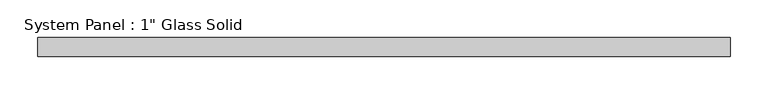
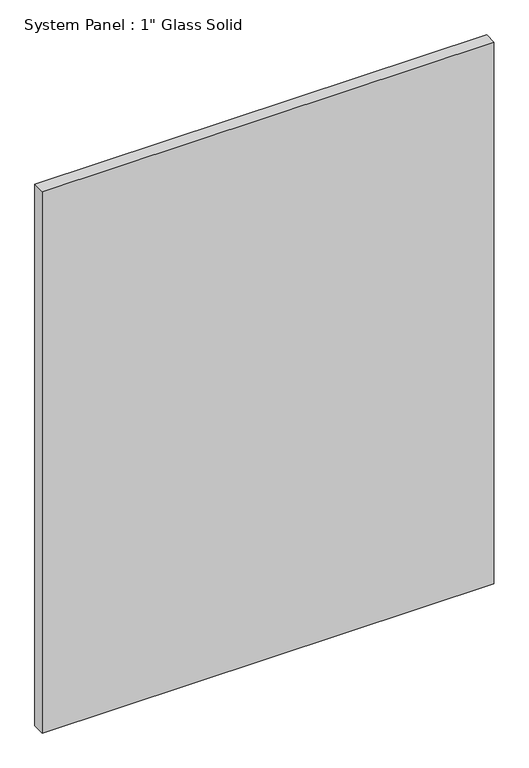
"""IFC4 building model written with IfcOpenShell, lengths in millimetres: plate geometry."""

import ifcopenshell
import ifcopenshell.guid

model = None  # the IFC model being written
_history = None  # IfcOwnerHistory: only IFC2X3 demands one
_inside = {}  # id of a spatial element -> (the spatial element, [elements in it])
_under = {}  # id of a project, library or spatial element -> (it, [spatial elements below it])
_declared = {}  # id of a project -> (the project, [libraries it declares])
_typed = {}  # id of a type object -> (the type object, [elements of that type])
_made_of = {}  # id of a material, layer set ... -> (it, [elements and type objects made of it])


def new_model(schema):
    """Start an empty IFC model of exactly this schema.

    Asked for "IFC4X3", IfcOpenShell would pick the latest addendum, in which some entities
    have other attributes; the version numbers below select the first issue.
    IFC2X3 requires an IfcOwnerHistory on every rooted entity: one is made here for all.
    """
    global model, _history
    if schema == "IFC4X3":
        model = ifcopenshell.file(schema_version=(4, 3, 0, 0))
    else:
        model = ifcopenshell.file(schema=schema)
    _inside.clear()
    _under.clear()
    _declared.clear()
    _typed.clear()
    _made_of.clear()
    _history = None
    if model.schema == "IFC2X3":
        org = make("IfcOrganization", Name="unknown")
        user = make(
            "IfcPersonAndOrganization",
            ThePerson=make("IfcPerson", FamilyName="unknown"),
            TheOrganization=org,
        )
        app = make(
            "IfcApplication",
            ApplicationDeveloper=org,
            Version="unknown",
            ApplicationFullName="unknown",
            ApplicationIdentifier="unknown",
        )
        _history = make(
            "IfcOwnerHistory",
            OwningUser=user,
            OwningApplication=app,
            ChangeAction="ADDED",
            CreationDate=0,
        )
    return model


def make(cls, **values):
    """One entity of the class cls with the attributes given. An attribute that is None is left unset."""
    return model.create_entity(
        cls, **{name: value for name, value in values.items() if value is not None}
    )


def rooted(cls, **values):
    """An entity with a GlobalId (a new one), such as an element, a storey or a relation."""
    return make(cls, GlobalId=ifcopenshell.guid.new(), OwnerHistory=_history, **values)


def si_unit(unit_type, name, prefix=None):
    """IfcSIUnit, for example si_unit("LENGTHUNIT", "METRE", prefix="MILLI")."""
    return make("IfcSIUnit", UnitType=unit_type, Prefix=prefix, Name=name)


def assignment(units):
    """IfcUnitAssignment: the units of a project."""
    return None if units is None else make("IfcUnitAssignment", Units=units)


def point(xyz):
    """IfcCartesianPoint."""
    return None if xyz is None else make("IfcCartesianPoint", Coordinates=xyz)


def direction(xyz):
    """IfcDirection."""
    return None if xyz is None else make("IfcDirection", DirectionRatios=xyz)


def frame(location, z_axis=None, x_axis=None):
    """IfcAxis2Placement3D, a coordinate frame: its origin and axes. An axis left out is left unset."""
    return make(
        "IfcAxis2Placement3D",
        Location=point(location),
        Axis=direction(z_axis),
        RefDirection=direction(x_axis),
    )


def origin():
    """The frame at (0, 0, 0) with its axes left unset."""
    return frame((0.0, 0.0, 0.0))


def origin_with_axes():
    """The frame at (0, 0, 0) with the z axis (0, 0, 1) and the x axis (1, 0, 0) written out."""
    return frame((0.0, 0.0, 0.0), z_axis=(0.0, 0.0, 1.0), x_axis=(1.0, 0.0, 0.0))


def place(relative_to, where):
    """IfcLocalPlacement: puts the frame where relative to a parent placement (None: the world)."""
    return make(
        "IfcLocalPlacement", PlacementRelTo=relative_to, RelativePlacement=where
    )


def context(
    kind, dimensions, precision=None, world=None, true_north=None, identifier=None
):
    """IfcGeometricRepresentationContext, for example the 3D "Model" context."""
    return make(
        "IfcGeometricRepresentationContext",
        ContextIdentifier=identifier,
        ContextType=kind,
        CoordinateSpaceDimension=dimensions,
        Precision=precision,
        WorldCoordinateSystem=world,
        TrueNorth=true_north,
    )


def project(units=None, contexts=None):
    """IfcProject with its units and contexts."""
    return rooted(
        "IfcProject",
        Name="project",
        RepresentationContexts=contexts,
        UnitsInContext=assignment(units),
    )


def spatial(cls, under=None, at=None, **own):
    """A site, building, storey or space (cls), placed at a placement, below another one or the project."""
    s = rooted(cls, ObjectPlacement=at, **own)
    if under is not None:
        _under.setdefault(under.id(), (under, []))[1].append(s)
    return s


def polyline(points):
    """IfcPolyline through the points."""
    return make("IfcPolyline", Points=[point(p) for p in points])


def outline(outer, holes=None, kind="AREA"):
    """IfcArbitraryClosedProfileDef: a profile drawn as a closed curve; with holes, ...WithVoids."""
    if holes is None:
        return make("IfcArbitraryClosedProfileDef", ProfileType=kind, OuterCurve=outer)
    return make(
        "IfcArbitraryProfileDefWithVoids",
        ProfileType=kind,
        OuterCurve=outer,
        InnerCurves=holes,
    )


def extrude(swept, where, along, depth):
    """IfcExtrudedAreaSolid: the profile swept, set in the frame where, extruded along a direction by depth."""
    return make(
        "IfcExtrudedAreaSolid",
        SweptArea=swept,
        Position=where,
        ExtrudedDirection=direction(along),
        Depth=depth,
    )


def shape(context_of_items, identifier, shape_type, items):
    """IfcShapeRepresentation: the items that make up one representation, for example the "Body"."""
    return make(
        "IfcShapeRepresentation",
        ContextOfItems=context_of_items,
        RepresentationIdentifier=identifier,
        RepresentationType=shape_type,
        Items=items,
    )


def source(mapping_origin, context_of_items, identifier, shape_type, items):
    """IfcRepresentationMap: a shape defined once, which mapped items show again and again."""
    return make(
        "IfcRepresentationMap",
        MappingOrigin=mapping_origin,
        MappedRepresentation=shape(context_of_items, identifier, shape_type, items),
    )


def transform(
    local_origin,
    x_axis=None,
    y_axis=None,
    z_axis=None,
    scale=None,
    scale2=None,
    scale3=None,
    uniform=True,
):
    """IfcCartesianTransformationOperator3D, or its non-uniform kind. x_axis, y_axis, z_axis: its Axis1, 2, 3."""
    if uniform:
        return make(
            "IfcCartesianTransformationOperator3D",
            Axis1=direction(x_axis),
            Axis2=direction(y_axis),
            LocalOrigin=point(local_origin),
            Scale=scale,
            Axis3=direction(z_axis),
        )
    return make(
        "IfcCartesianTransformationOperator3DnonUniform",
        Axis1=direction(x_axis),
        Axis2=direction(y_axis),
        LocalOrigin=point(local_origin),
        Scale=scale,
        Axis3=direction(z_axis),
        Scale2=scale2,
        Scale3=scale3,
    )


def mapped(mapping_source, mapping_target):
    """IfcMappedItem: shows the shape of a source again, moved by a transform."""
    return make(
        "IfcMappedItem", MappingSource=mapping_source, MappingTarget=mapping_target
    )


def made_of(thing, what):
    """Note that an element or type object is made of a material, layer set ...; save() writes the relation."""
    if what is not None:
        _made_of.setdefault(what.id(), (what, []))[1].append(thing)
    return thing


def element(
    cls,
    number,
    at=None,
    inside=None,
    cuts=None,
    type_object=None,
    material=None,
    context=None,
    identifier="Body",
    shape_type=None,
    held_by="IfcProductDefinitionShape",
    body=None,
    shapes=None,
    **own,
):
    """One element of the class cls, such as IfcWall. Its Tag is "e" and its number.

    at: its placement. inside: the storey or other place that contains it. cuts: it is an
    opening in that element (IfcRelVoidsElement). A single representation is given by context,
    identifier, shape_type and body (its items); several are given by shapes. held_by: the class
    of the entity that holds the representations. save() writes the other relations.
    """
    e = rooted(cls, Tag="e%d" % number, ObjectPlacement=at, **own)
    if body is not None:
        shapes = [shape(context, identifier, shape_type, body)]
    if shapes is not None:
        e.Representation = make(held_by, Representations=shapes)
    if inside is not None:
        _inside.setdefault(inside.id(), (inside, []))[1].append(e)
    if cuts is not None:
        rooted(
            "IfcRelVoidsElement", RelatingBuildingElement=cuts, RelatedOpeningElement=e
        )
    if type_object is not None:
        _typed.setdefault(type_object.id(), (type_object, []))[1].append(e)
    return made_of(e, material)


def aggregate(whole, parts):
    """IfcRelAggregates: a whole, such as a stair, and the parts it consists of."""
    return rooted("IfcRelAggregates", RelatingObject=whole, RelatedObjects=parts)


def save(model, path):
    """Write the relations noted so far, then the file.

    IfcRelAggregates (storeys below a building ...), IfcRelContainedInSpatialStructure (elements
    in a storey), IfcRelDefinesByType, IfcRelAssociatesMaterial and IfcRelDeclares: one each for
    every whole, place, type object, material and project.
    """
    for whole, parts in _under.values():
        aggregate(whole, parts)
    for where, things in _inside.values():
        rooted(
            "IfcRelContainedInSpatialStructure",
            RelatedElements=things,
            RelatingStructure=where,
        )
    for kind, things in _typed.values():
        rooted("IfcRelDefinesByType", RelatedObjects=things, RelatingType=kind)
    for what, things in _made_of.values():
        rooted("IfcRelAssociatesMaterial", RelatedObjects=things, RelatingMaterial=what)
    for by, libraries in _declared.values():
        rooted("IfcRelDeclares", RelatingContext=by, RelatedDefinitions=libraries)
    model.write(path)


def plate_8dd2e947(model_context):
    return source(origin(), model_context, "Body", "SweptSolid", [
        extrude(outline(polyline([(460.9555865, -12.7), (-460.9555865, -12.7), (-460.9555865, 12.7), (460.9555865, 12.7), (460.9555865, -12.7)])), origin_with_axes(), (0.0, 0.0, 1.0), 1168.4017704),
    ])


if __name__ == "__main__":
    model = new_model("IFC4")
    model_context = context("Model", 3, world=origin())
    ifc_project = project(units=[si_unit("LENGTHUNIT", "METRE", prefix="MILLI")], contexts=[model_context])
    site = spatial("IfcSite", under=ifc_project)
    building = spatial("IfcBuilding", under=site)
    placement = place(None, origin())
    plate_shape = plate_8dd2e947(model_context)
    element("IfcPlate", 1, ObjectType="System Panel : 1\" Glass Solid", at=placement, inside=building, context=model_context, shape_type="MappedRepresentation", body=[
        mapped(plate_shape, transform((0.0, 0.0, 0.0), x_axis=(1.0, 0.0, 0.0), y_axis=(0.0, 1.0, 0.0), z_axis=(0.0, 0.0, 1.0))),
    ])
    save(model, "model.ifc")
